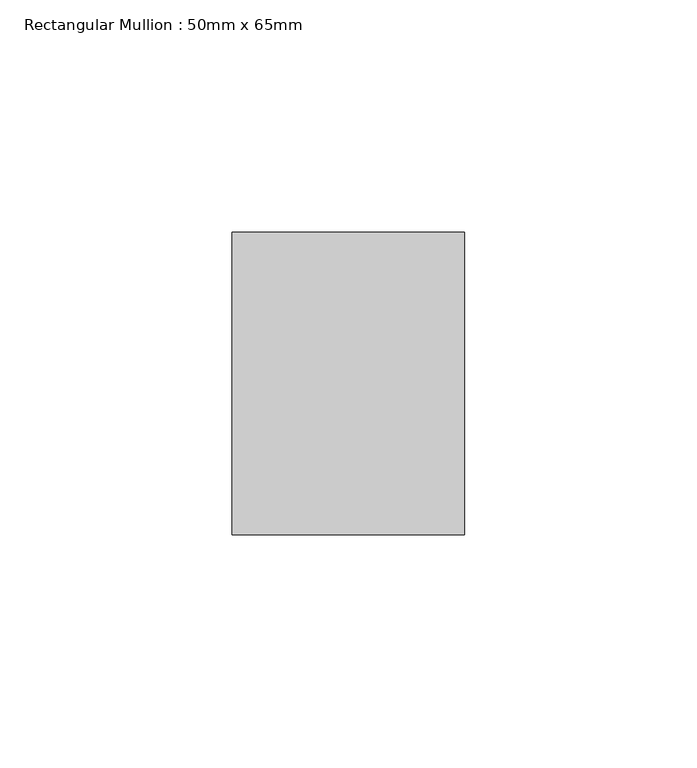
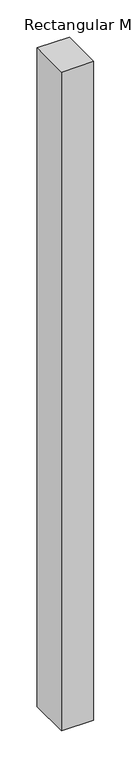
"""IFC4 building model written with IfcOpenShell, lengths in millimetres: member geometry, Rectangular Mullion : 50mm x 65mm."""

from ifc_helpers import new_model, si_unit, frame, origin, place, context, project, spatial, polyline, outline, extrude, source, transform, mapped, element, save


def rectangular_mullion_50mm_x_65mm_9e7e9693(model_context):
    return source(origin(), model_context, "Body", "SweptSolid", [
        extrude(outline(polyline([(25.0, 32.5), (25.0, -32.5), (-25.0, -32.5), (-25.0, 32.5), (25.0, 32.5)])), frame((0.0, 0.0, -1078.0447426), z_axis=(0.0, 0.0, 1.0), x_axis=(1.0, 0.0, 0.0)), (0.0, 0.0, 1.0), 1078.0447426),
    ])


if __name__ == "__main__":
    model = new_model("IFC4")
    model_context = context("Model", 3, world=origin())
    ifc_project = project(units=[si_unit("LENGTHUNIT", "METRE", prefix="MILLI")], contexts=[model_context])
    site = spatial("IfcSite", under=ifc_project)
    building = spatial("IfcBuilding", under=site)
    placement = place(None, origin())
    rectangular_mullion_50mm_x_65mm_shape = rectangular_mullion_50mm_x_65mm_9e7e9693(model_context)
    element("IfcMember", 1, ObjectType="Rectangular Mullion : 50mm x 65mm", at=placement, inside=building, context=model_context, shape_type="MappedRepresentation", body=[
        mapped(rectangular_mullion_50mm_x_65mm_shape, transform((0.0, 0.0, 0.0), x_axis=(1.0, 0.0, 0.0), y_axis=(0.0, 1.0, 0.0), z_axis=(0.0, 0.0, 1.0))),
    ])
    save(model, "model.ifc")
